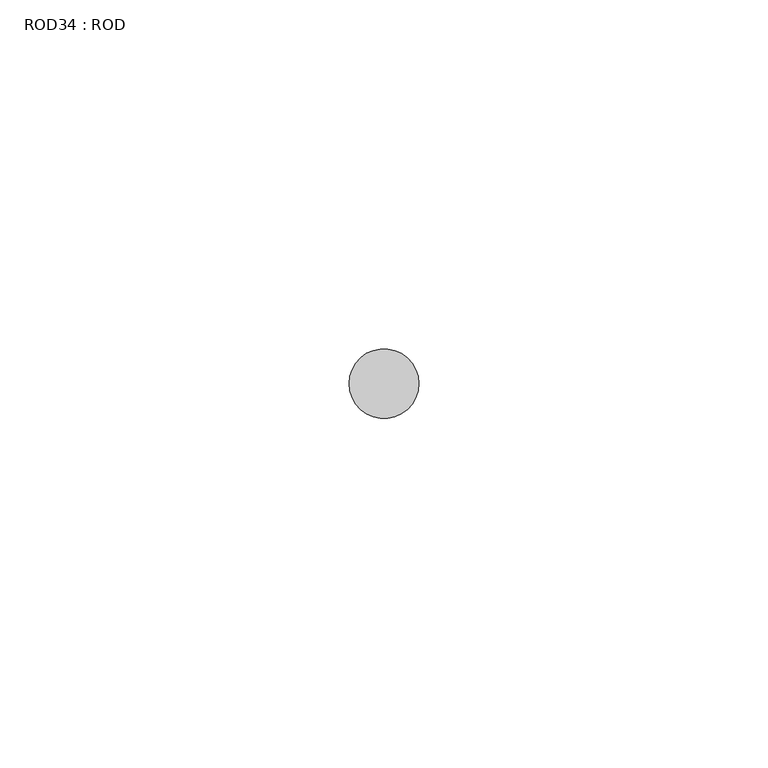
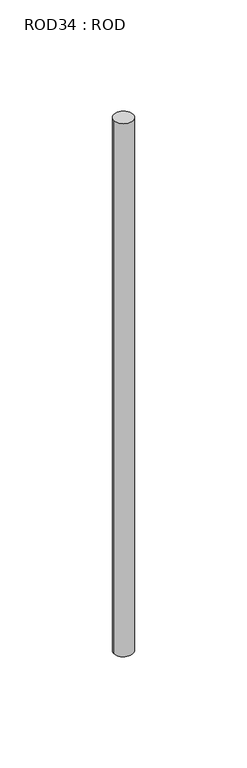
"""IFC4 building model written with IfcOpenShell, lengths in millimetres: proxy geometry, ROD34 : ROD."""

from ifc_helpers import new_model, si_unit, point, frame, frame_2d, origin, place, context, project, spatial, circle_curve, trimmed, segment, composite_curve, outline, extrude, source, transform, mapped, element, save


def rod34_rod_bd726e2a(model_context):
    return source(origin(), model_context, "Body", "SweptSolid", [
        extrude(outline(composite_curve([segment(trimmed(circle_curve(frame_2d((-547.2215616, -1114.6300853)), 5.0), [point((-552.2215616, -1114.6300853))], [point((-542.2215616, -1114.6300853))], False, "CARTESIAN"), True, "CONTINUOUS"), segment(trimmed(circle_curve(frame_2d((-547.2215616, -1114.6300853)), 5.0), [point((-542.2215616, -1114.6300853))], [point((-552.2215616, -1114.6300853))], False, "CARTESIAN"), True, "CONTINUOUS")], self_intersect=False)), frame((0.0, 0.0, -208.6608845), z_axis=(0.0, 0.0, 1.0), x_axis=(1.0, 0.0, 0.0)), (0.0, 0.0, 1.0), 298.9028972),
    ])


if __name__ == "__main__":
    model = new_model("IFC4")
    model_context = context("Model", 3, world=origin())
    ifc_project = project(units=[si_unit("LENGTHUNIT", "METRE", prefix="MILLI")], contexts=[model_context])
    site = spatial("IfcSite", under=ifc_project)
    building = spatial("IfcBuilding", under=site)
    placement = place(None, origin())
    rod34_rod_shape = rod34_rod_bd726e2a(model_context)
    element("IfcBuildingElementProxy", 1, Name="ROD34 : ROD", ObjectType="ROD34 : ROD", at=placement, inside=building, context=model_context, shape_type="MappedRepresentation", body=[
        mapped(rod34_rod_shape, transform((0.0, 0.0, 0.0), x_axis=(1.0, 0.0, 0.0), y_axis=(0.0, 1.0, 0.0), z_axis=(0.0, 0.0, 1.0))),
    ])
    save(model, "model.ifc")
